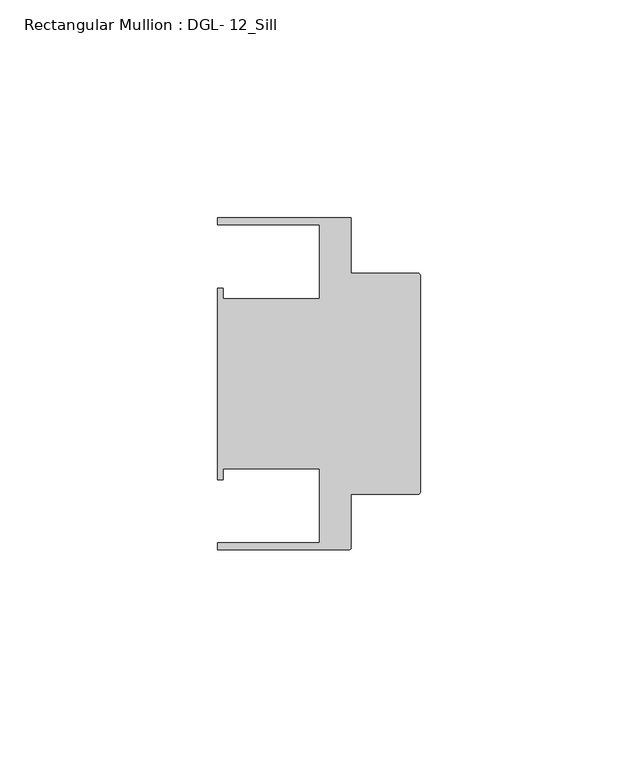
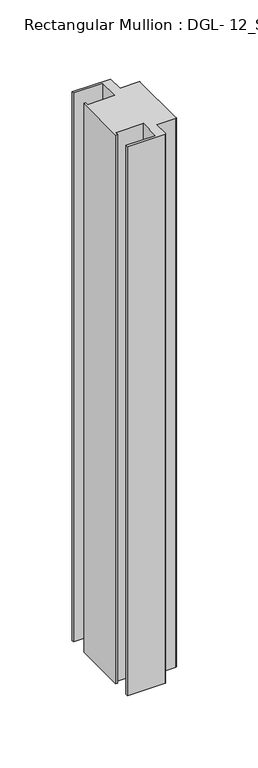
"""IFC4 building model written with IfcOpenShell, lengths in millimetres: member geometry, Rectangular Mullion : DGL- 12_Sill."""

from ifc_helpers import new_model, si_unit, point, frame, frame_2d, origin, place, context, project, spatial, polyline, circle_curve, trimmed, segment, composite_curve, outline, extrude, source, transform, mapped, element, save


def rectangular_mullion_dgl_12_sill_ce4c01ea(model_context):
    return source(origin(), model_context, "Body", "SweptSolid", [
        extrude(outline(composite_curve([segment(trimmed(circle_curve(frame_2d((-0.5953125, 24.8046875)), 0.5953125), [point((-0.5953125, 25.4))], [point((0.0, 24.8046875))], False, "CARTESIAN"), True, "CONTINUOUS"), segment(polyline([(0.0, 24.8046875), (0.0, -24.8046875)]), True, "CONTINUOUS"), segment(trimmed(circle_curve(frame_2d((-0.5953125, -24.8046875)), 0.5953125), [point((0.0, -24.8046875))], [point((-0.5953125, -25.4))], False, "CARTESIAN"), True, "CONTINUOUS"), segment(polyline([(-0.5953125, -25.4), (-15.8750672, -25.4), (-15.8750672, -37.5047035)]), True, "CONTINUOUS"), segment(trimmed(circle_curve(frame_2d((-16.4703797, -37.5047035)), 0.5953125), [point((-15.8750672, -37.5047035))], [point((-16.4703797, -38.100016))], False, "CARTESIAN"), True, "CONTINUOUS"), segment(polyline([(-16.4703797, -38.100016), (-46.54296, -38.100016), (-46.54296, -36.512516), (-23.1202791, -36.512516), (-23.1202791, -19.4824275), (-45.2865266, -19.4824275), (-45.2865266, -21.9710976), (-46.54296, -21.9710976), (-46.54296, 21.9710976), (-45.2865266, 21.9710976), (-45.2865266, 19.4824275), (-23.1202791, 19.4824275), (-23.1202791, 36.512516), (-46.54296, 36.512516), (-46.54296, 38.0996792), (-15.8750672, 38.0996792), (-15.8750672, 25.4), (-0.5953125, 25.4)]), True, "CONTINUOUS")], self_intersect=False)), frame((0.0, 0.0, -462.5514947), z_axis=(0.0, 0.0, 1.0), x_axis=(1.0, 0.0, 0.0)), (0.0, 0.0, 1.0), 462.5514947),
    ])


if __name__ == "__main__":
    model = new_model("IFC4")
    model_context = context("Model", 3, world=origin())
    ifc_project = project(units=[si_unit("LENGTHUNIT", "METRE", prefix="MILLI")], contexts=[model_context])
    site = spatial("IfcSite", under=ifc_project)
    building = spatial("IfcBuilding", under=site)
    placement = place(None, origin())
    rectangular_mullion_dgl_12_sill_shape = rectangular_mullion_dgl_12_sill_ce4c01ea(model_context)
    element("IfcMember", 1, ObjectType="Rectangular Mullion : DGL- 12_Sill", at=placement, inside=building, context=model_context, shape_type="MappedRepresentation", body=[
        mapped(rectangular_mullion_dgl_12_sill_shape, transform((0.0, 0.0, 0.0), x_axis=(1.0, 0.0, 0.0), y_axis=(0.0, 1.0, 0.0), z_axis=(0.0, 0.0, 1.0))),
    ])
    save(model, "model.ifc")
